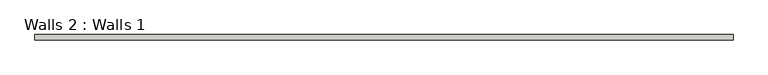
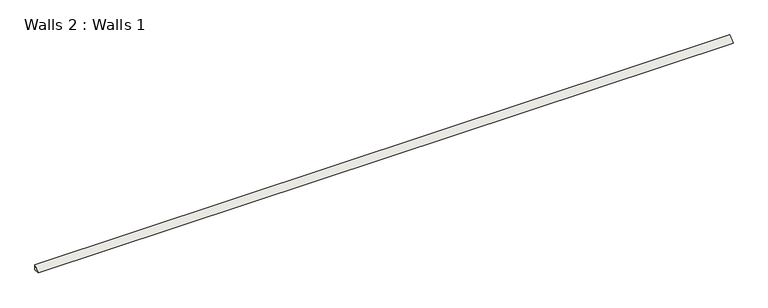
"""IFC4 building model written with IfcOpenShell, lengths in millimetres: wall geometry, Walls 2 : Walls 1."""

from ifc_helpers import new_model, si_unit, frame, origin, place, context, project, spatial, polyline, outline, extrude, source, transform, mapped, element, save


def walls_2_walls_1_8ac7f942(model_context):
    return source(origin(), model_context, "Body", "SweptSolid", [
        extrude(outline(polyline([(3808.2026522, 19.05), (3808.2026522, 0.0), (3789.1526522, 0.0), (3808.2026522, 19.05)])), frame((-859.3497911, 0.0, 0.0), z_axis=(1.0, 0.0, 0.0), x_axis=(0.0, 1.0, 0.0)), (0.0, 0.0, 1.0), 2438.4),
    ])


if __name__ == "__main__":
    model = new_model("IFC4")
    model_context = context("Model", 3, world=origin())
    ifc_project = project(units=[si_unit("LENGTHUNIT", "METRE", prefix="MILLI")], contexts=[model_context])
    site = spatial("IfcSite", under=ifc_project)
    building = spatial("IfcBuilding", under=site)
    placement = place(None, origin())
    walls_2_walls_1_shape = walls_2_walls_1_8ac7f942(model_context)
    element("IfcWall", 1, ObjectType="Walls 2 : Walls 1", at=placement, inside=building, context=model_context, shape_type="MappedRepresentation", body=[
        mapped(walls_2_walls_1_shape, transform((0.0, 0.0, 0.0), x_axis=(1.0, 0.0, 0.0), y_axis=(0.0, 1.0, 0.0), z_axis=(0.0, 0.0, 1.0))),
    ])
    save(model, "model.ifc")
